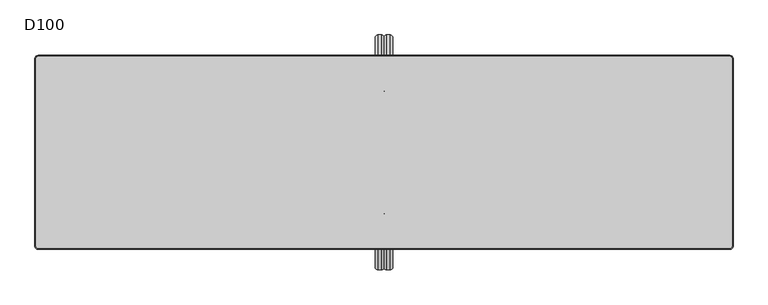
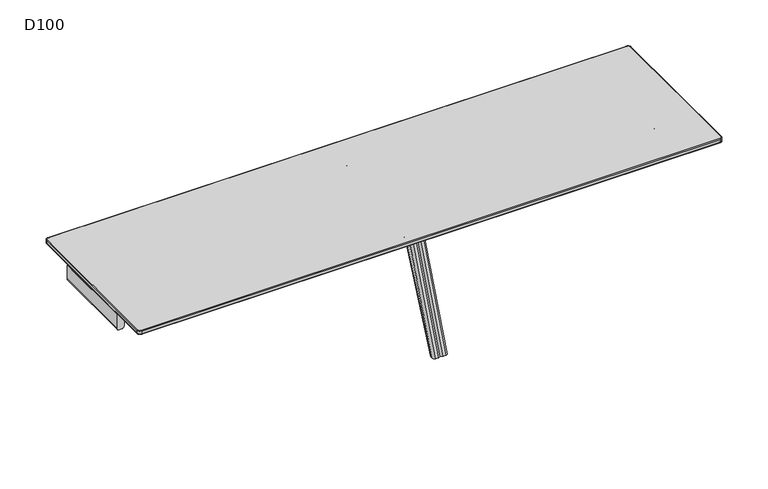
"""IFC4 building model written with IfcOpenShell, lengths in millimetres: furniture geometry, D100."""

from ifc_helpers import new_model, si_unit, point, frame, frame_2d, origin, place, context, project, spatial, polyline, circle_curve, ellipse_curve, trimmed, segment, composite_curve, outline, extrude, source, transform, mapped, element, save
from ifc_brep_helpers import plane_surface, cylinder_surface, revolved_surface, advanced_brep


def d100_7a41bbc9(model_context):
    return source(origin(), model_context, "Body", "SolidModel", [
        extrude(outline(composite_curve([segment(polyline([(611.0, 1799.0), (700.0, 1799.0), (700.0, 1754.0), (611.0, 1754.0)]), True, "CONTINUOUS"), segment(trimmed(circle_curve(frame_2d((611.0, 1769.0)), 15.0), [point((611.0, 1754.0))], [point((596.0, 1769.0))], False, "CARTESIAN"), True, "CONTINUOUS"), segment(polyline([(596.0, 1769.0), (596.0, 1784.0)]), True, "CONTINUOUS"), segment(trimmed(circle_curve(frame_2d((611.0, 1784.0)), 15.0), [point((596.0, 1784.0))], [point((611.0, 1799.0))], False, "CARTESIAN"), True, "CONTINUOUS")], self_intersect=False)), frame((0.0, -264.7236545, 0.0), z_axis=(0.0, 1.0, 0.0), x_axis=(0.0, 0.0, 1.0)), (0.0, 0.0, 1.0), 529.4473089),
        extrude(outline(composite_curve([segment(polyline([(611.0, 0.0), (700.0, 0.0), (700.0, -45.0), (611.0, -45.0)]), True, "CONTINUOUS"), segment(trimmed(circle_curve(frame_2d((611.0, -30.0)), 15.0), [point((611.0, -45.0))], [point((596.0, -30.0))], False, "CARTESIAN"), True, "CONTINUOUS"), segment(polyline([(596.0, -30.0), (596.0, -15.0)]), True, "CONTINUOUS"), segment(trimmed(circle_curve(frame_2d((611.0, -15.0)), 15.0), [point((596.0, -15.0))], [point((611.0, 0.0))], False, "CARTESIAN"), True, "CONTINUOUS")], self_intersect=False)), frame((0.0, -264.7236545, 0.0), z_axis=(0.0, 1.0, 0.0), x_axis=(0.0, 0.0, 1.0)), (0.0, 0.0, 1.0), 529.4473089),
        extrude(outline(composite_curve([segment(trimmed(circle_curve(frame_2d((611.0, 15.0)), 15.0), [point((611.0, 0.0))], [point((596.0, 15.0))], False, "CARTESIAN"), True, "CONTINUOUS"), segment(polyline([(596.0, 15.0), (596.0, 30.0)]), True, "CONTINUOUS"), segment(trimmed(circle_curve(frame_2d((611.0, 30.0)), 15.0), [point((596.0, 30.0))], [point((611.0, 45.0))], False, "CARTESIAN"), True, "CONTINUOUS"), segment(polyline([(611.0, 45.0), (700.0, 45.0), (700.0, 0.0), (611.0, 0.0)]), True, "CONTINUOUS")], self_intersect=False)), frame((0.0, -264.7236545, 0.0), z_axis=(0.0, 1.0, 0.0), x_axis=(0.0, 0.0, 1.0)), (0.0, 0.0, 1.0), 529.4473089),
        extrude(outline(composite_curve([segment(trimmed(circle_curve(frame_2d((611.0, -1784.0)), 15.0), [point((611.0, -1799.0))], [point((596.0, -1784.0))], False, "CARTESIAN"), True, "CONTINUOUS"), segment(polyline([(596.0, -1784.0), (596.0, -1769.0)]), True, "CONTINUOUS"), segment(trimmed(circle_curve(frame_2d((611.0, -1769.0)), 15.0), [point((596.0, -1769.0))], [point((611.0, -1754.0))], False, "CARTESIAN"), True, "CONTINUOUS"), segment(polyline([(611.0, -1754.0), (700.0, -1754.0), (700.0, -1799.0), (611.0, -1799.0)]), True, "CONTINUOUS")], self_intersect=False)), frame((0.0, -264.7236545, 0.0), z_axis=(0.0, 1.0, 0.0), x_axis=(0.0, 0.0, 1.0)), (0.0, 0.0, 1.0), 529.4473089),
        advanced_brep(
        [(-1782.0, 495.0, 732.0), (-1795.0, 482.0, 732.0), (-1795.0, -482.0, 732.0), (-1782.0, -495.0, 732.0), (1782.0, -495.0, 732.0), (1795.0, -482.0, 732.0), (1795.0, 482.0, 732.0), (1782.0, 495.0, 732.0), (-1795.0, 482.0, 706.0), (-1782.0, 495.0, 706.0), (1782.0, 495.0, 706.0), (1795.0, 482.0, 706.0), (1795.0, -482.0, 706.0), (1782.0, -495.0, 706.0), (-1782.0, -495.0, 706.0), (-1795.0, -482.0, 706.0), (-1800.0, 482.0, 727.0000049), (-1800.0, 482.0, 711.0), (-1800.0, -482.0, 711.0), (-1800.0, -482.0, 727.0), (-1782.0, -500.0, 711.0), (-1782.0, -500.0, 727.0000039), (1782.0, -500.0, 711.0), (1782.0, -500.0, 727.0), (1800.0, -482.0, 711.0), (1800.0, -482.0, 727.0000032), (1800.0, 482.0, 711.0), (1800.0, 482.0, 727.0), (-1782.0, 500.0, 711.0), (-1782.0, 500.0, 727.0), (1782.0, 500.0, 711.0), (1782.0, 500.0, 727.0)],
        [
            (0, 1, circle_curve(frame((-1782.0, 482.0, 732.0), z_axis=(0.0, 0.0, 1.0), x_axis=(0.0, 1.0, 0.0)), 13.0)),
            (1, 2),
            (2, 3, circle_curve(frame((-1782.0, -482.0, 732.0), z_axis=(0.0, 0.0, 1.0), x_axis=(-1.0, 0.0, 0.0)), 13.0)),
            (3, 4),
            (4, 5, circle_curve(frame((1782.0, -482.0, 732.0), z_axis=(0.0, 0.0, 1.0), x_axis=(0.0, -1.0, 0.0)), 13.0)),
            (5, 6),
            (6, 7, circle_curve(frame((1782.0, 482.0, 732.0), z_axis=(0.0, 0.0, 1.0), x_axis=(1.0, 0.0, 0.0)), 13.0)),
            (7, 0),
            (8, 9, circle_curve(frame((-1782.0, 482.0, 706.0), z_axis=(0.0, 0.0, -1.0), x_axis=(0.0, 1.0, 0.0)), 13.0)),
            (9, 10),
            (10, 11, circle_curve(frame((1782.0, 482.0, 706.0), z_axis=(0.0, 0.0, -1.0), x_axis=(1.0, 0.0, 0.0)), 13.0)),
            (11, 12),
            (12, 13, circle_curve(frame((1782.0, -482.0, 706.0), z_axis=(0.0, 0.0, -1.0), x_axis=(0.0, -1.0, 0.0)), 13.0)),
            (13, 14),
            (14, 15, circle_curve(frame((-1782.0, -482.0, 706.0), z_axis=(0.0, 0.0, -1.0), x_axis=(-1.0, 0.0, 0.0)), 13.0)),
            (15, 8),
            (16, 17),
            (17, 18),
            (18, 19),
            (19, 16),
            (18, 20, circle_curve(frame((-1782.0, -482.0, 711.0), z_axis=(0.0, 0.0, 1.0), x_axis=(1.0, 0.0, 0.0)), 18.0)),
            (20, 21),
            (21, 19, circle_curve(frame((-1782.0, -482.0, 727.0), z_axis=(0.0, 0.0, -1.0), x_axis=(1.0, 0.0, 0.0)), 18.0)),
            (20, 22),
            (22, 23),
            (23, 21),
            (22, 24, circle_curve(frame((1782.0, -482.0, 711.0), z_axis=(0.0, 0.0, 1.0), x_axis=(1.0, 0.0, 0.0)), 18.0)),
            (24, 25),
            (25, 23, circle_curve(frame((1782.0, -482.0, 727.0), z_axis=(0.0, 0.0, -1.0), x_axis=(1.0, 0.0, 0.0)), 18.0)),
            (24, 26),
            (26, 27),
            (27, 25),
            (8, 17, circle_curve(frame((-1795.0, 482.0, 711.0), z_axis=(0.0, 1.0, 0.0), x_axis=(1.0, 0.0, 0.0)), 5.0)),
            (17, 28, circle_curve(frame((-1782.0, 482.0, 711.0), z_axis=(0.0, 0.0, -1.0), x_axis=(0.0, 1.0, 0.0)), 18.0)),
            (28, 9, circle_curve(frame((-1782.0, 495.0, 711.0), z_axis=(-1.0, 0.0, 0.0), x_axis=(0.0, -1.0, 0.0)), 5.0)),
            (16, 1, circle_curve(frame((-1795.0, 482.0, 727.0), z_axis=(0.0, 1.0, 0.0), x_axis=(1.0, 0.0, 0.0)), 5.0)),
            (0, 29, circle_curve(frame((-1782.0, 495.0, 727.0), z_axis=(-1.0, 0.0, 0.0), x_axis=(0.0, -1.0, 0.0)), 5.0)),
            (29, 16, circle_curve(frame((-1782.0, 482.0, 727.0), z_axis=(0.0, 0.0, 1.0), x_axis=(0.0, 1.0, 0.0)), 18.0)),
            (15, 18, circle_curve(frame((-1795.0, -482.0, 711.0), z_axis=(0.0, 1.0, 0.0), x_axis=(1.0, 0.0, 0.0)), 5.0)),
            (19, 2, circle_curve(frame((-1795.0, -482.0, 727.0), z_axis=(0.0, 1.0, 0.0), x_axis=(1.0, 0.0, 0.0)), 5.0)),
            (14, 20, circle_curve(frame((-1782.0, -495.0, 711.0), z_axis=(-1.0, 0.0, 0.0), x_axis=(0.0, 1.0, 0.0)), 5.0)),
            (21, 3, circle_curve(frame((-1782.0, -495.0, 727.0), z_axis=(-1.0, 0.0, 0.0), x_axis=(0.0, 1.0, 0.0)), 5.0)),
            (13, 22, circle_curve(frame((1782.0, -495.0, 711.0), z_axis=(-1.0, 0.0, 0.0), x_axis=(0.0, 1.0, 0.0)), 5.0)),
            (23, 4, circle_curve(frame((1782.0, -495.0, 727.0), z_axis=(-1.0, 0.0, 0.0), x_axis=(0.0, 1.0, 0.0)), 5.0)),
            (12, 24, circle_curve(frame((1795.0, -482.0, 711.0), z_axis=(0.0, -1.0, 0.0), x_axis=(-1.0, 0.0, 0.0)), 5.0)),
            (25, 5, circle_curve(frame((1795.0, -482.0, 727.0), z_axis=(0.0, -1.0, 0.0), x_axis=(-1.0, 0.0, 0.0)), 5.0)),
            (11, 26, circle_curve(frame((1795.0, 482.0, 711.0), z_axis=(0.0, -1.0, 0.0), x_axis=(-1.0, 0.0, 0.0)), 5.0)),
            (27, 6, circle_curve(frame((1795.0, 482.0, 727.0), z_axis=(0.0, -1.0, 0.0), x_axis=(-1.0, 0.0, 0.0)), 5.0)),
            (10, 30, circle_curve(frame((1782.0, 495.0, 711.0), z_axis=(1.0, 0.0, 0.0), x_axis=(0.0, -1.0, 0.0)), 5.0)),
            (30, 26, circle_curve(frame((1782.0, 482.0, 711.0), z_axis=(0.0, 0.0, -1.0), x_axis=(1.0, 0.0, 0.0)), 18.0)),
            (27, 31, circle_curve(frame((1782.0, 482.0, 727.0), z_axis=(0.0, 0.0, 1.0), x_axis=(1.0, 0.0, 0.0)), 18.0)),
            (31, 7, circle_curve(frame((1782.0, 495.0, 727.0), z_axis=(1.0, 0.0, 0.0), x_axis=(0.0, -1.0, 0.0)), 5.0)),
            (28, 30),
            (31, 29),
            (30, 31),
            (28, 29),
        ],
        [
            plane_surface(frame((-1800.0, -482.0, 732.0), z_axis=(0.0, 0.0, 1.0), x_axis=(0.0, -1.0, 0.0))),
            plane_surface(frame((-1800.0, -482.0, 706.0), z_axis=(0.0, 0.0, -1.0), x_axis=(0.0, 1.0, 0.0))),
            plane_surface(frame((-1800.0, 482.0, 732.0), z_axis=(-1.0, 0.0, 0.0), x_axis=(0.0, 0.0, -1.0))),
            cylinder_surface(frame((-1782.0, -482.0, 706.0), z_axis=(0.0, 0.0, 1.0), x_axis=(1.0, 0.0, 0.0)), 18.0),
            plane_surface(frame((-1782.0, -500.0, 732.0), z_axis=(0.0, -1.0, 0.0), x_axis=(0.0, 0.0, -1.0))),
            cylinder_surface(frame((1782.0, -482.0, 706.0), z_axis=(0.0, 0.0, 1.0), x_axis=(1.0, 0.0, 0.0)), 18.0),
            plane_surface(frame((1800.0, -482.0, 732.0), z_axis=(1.0, 0.0, 0.0), x_axis=(0.0, 0.0, -1.0))),
            revolved_surface(trimmed(ellipse_curve(frame((-1782.0, 495.0, 711.0), z_axis=(1.0, 0.0, 0.0), x_axis=(0.0, -1.0, 0.0)), 5.0, 5.0), [point((-1782.0, 495.0, 706.0))], [point((-1782.0, 500.0, 711.0))], True, "CARTESIAN"), (-1782.0, 482.0, -180.0), (0.0, 0.0, 1.0)),
            revolved_surface(trimmed(ellipse_curve(frame((-1782.0, 495.0, 727.0), z_axis=(1.0, 0.0, 0.0), x_axis=(0.0, -1.0, 0.0)), 5.0, 5.0), [point((-1782.0, 500.0, 727.0))], [point((-1782.0, 495.0, 732.0))], True, "CARTESIAN"), (-1782.0, 482.0, -180.0), (0.0, 0.0, 1.0)),
            cylinder_surface(frame((-1795.0, 482.0, 711.0), z_axis=(0.0, -1.0, 0.0), x_axis=(1.0, 0.0, 0.0)), 5.0),
            cylinder_surface(frame((-1795.0, 482.0, 727.0), z_axis=(0.0, -1.0, 0.0), x_axis=(1.0, 0.0, 0.0)), 5.0),
            revolved_surface(trimmed(ellipse_curve(frame((-1795.0, -482.0, 711.0), z_axis=(0.0, 1.0, 0.0), x_axis=(1.0, 0.0, 0.0)), 5.0, 5.0), [point((-1795.0, -482.0, 706.0))], [point((-1800.0, -482.0, 711.0))], True, "CARTESIAN"), (-1782.0, -482.0, -180.0), (0.0, 0.0, 1.0)),
            revolved_surface(trimmed(ellipse_curve(frame((-1795.0, -482.0, 727.0), z_axis=(0.0, 1.0, 0.0), x_axis=(1.0, 0.0, 0.0)), 5.0, 5.0), [point((-1800.0, -482.0, 727.0))], [point((-1795.0, -482.0, 732.0))], True, "CARTESIAN"), (-1782.0, -482.0, -180.0), (0.0, 0.0, 1.0)),
            cylinder_surface(frame((-1782.0, -495.0, 711.0), z_axis=(1.0, 0.0, 0.0), x_axis=(0.0, 1.0, 0.0)), 5.0),
            cylinder_surface(frame((-1782.0, -495.0, 727.0), z_axis=(1.0, 0.0, 0.0), x_axis=(0.0, 1.0, 0.0)), 5.0),
            revolved_surface(trimmed(ellipse_curve(frame((1782.0, -495.0, 711.0), z_axis=(-1.0, 0.0, 0.0), x_axis=(0.0, 1.0, 0.0)), 5.0, 5.0), [point((1782.0, -495.0, 706.0))], [point((1782.0, -500.0, 711.0))], True, "CARTESIAN"), (1782.0, -482.0, -180.0), (0.0, 0.0, 1.0)),
            revolved_surface(trimmed(ellipse_curve(frame((1782.0, -495.0, 727.0), z_axis=(-1.0, 0.0, 0.0), x_axis=(0.0, 1.0, 0.0)), 5.0, 5.0), [point((1782.0, -500.0, 727.0))], [point((1782.0, -495.0, 732.0))], True, "CARTESIAN"), (1782.0, -482.0, -180.0), (0.0, 0.0, 1.0)),
            cylinder_surface(frame((1795.0, -482.0, 711.0), z_axis=(0.0, 1.0, 0.0), x_axis=(-1.0, 0.0, 0.0)), 5.0),
            cylinder_surface(frame((1795.0, -482.0, 727.0), z_axis=(0.0, 1.0, 0.0), x_axis=(-1.0, 0.0, 0.0)), 5.0),
            revolved_surface(trimmed(ellipse_curve(frame((1795.0, 482.0, 711.0), z_axis=(0.0, -1.0, 0.0), x_axis=(-1.0, 0.0, 0.0)), 5.0, 5.0), [point((1795.0, 482.0, 706.0))], [point((1800.0, 482.0, 711.0))], True, "CARTESIAN"), (1782.0, 482.0, -180.0), (0.0, 0.0, 1.0)),
            revolved_surface(trimmed(ellipse_curve(frame((1795.0, 482.0, 727.0), z_axis=(0.0, -1.0, 0.0), x_axis=(-1.0, 0.0, 0.0)), 5.0, 5.0), [point((1800.0, 482.0, 727.0))], [point((1795.0, 482.0, 732.0))], True, "CARTESIAN"), (1782.0, 482.0, -180.0), (0.0, 0.0, 1.0)),
            cylinder_surface(frame((1782.0, 495.0, 711.0), z_axis=(-1.0, 0.0, 0.0), x_axis=(0.0, -1.0, 0.0)), 5.0),
            cylinder_surface(frame((1782.0, 495.0, 727.0), z_axis=(-1.0, 0.0, 0.0), x_axis=(0.0, -1.0, 0.0)), 5.0),
            cylinder_surface(frame((1782.0, 482.0, 706.0), z_axis=(0.0, 0.0, 1.0), x_axis=(1.0, 0.0, 0.0)), 18.0),
            plane_surface(frame((1782.0, 500.0, 732.0), z_axis=(0.0, 1.0, 0.0), x_axis=(0.0, 0.0, -1.0))),
            cylinder_surface(frame((-1782.0, 482.0, 706.0), z_axis=(0.0, 0.0, 1.0), x_axis=(1.0, 0.0, 0.0)), 18.0),
        ],
        [
            (0, [[1, 2, 3, 4, 5, 6, 7, 8]]),
            (1, [[9, 10, 11, 12, 13, 14, 15, 16]]),
            (2, [[17, 18, 19, 20]]),
            (3, [[-19, 21, 22, 23]]),
            (4, [[-22, 24, 25, 26]]),
            (5, [[-25, 27, 28, 29]]),
            (6, [[-28, 30, 31, 32]]),
            (7, [[33, 34, 35, -9]]),
            (8, [[36, -1, 37, 38]]),
            (9, [[-33, -16, 39, -18]]),
            (10, [[-36, -20, 40, -2]]),
            (11, [[-39, -15, 41, -21]]),
            (12, [[-40, -23, 42, -3]]),
            (13, [[-41, -14, 43, -24]]),
            (14, [[-42, -26, 44, -4]]),
            (15, [[-43, -13, 45, -27]]),
            (16, [[-44, -29, 46, -5]]),
            (17, [[-45, -12, 47, -30]]),
            (18, [[-46, -32, 48, -6]]),
            (19, [[-47, -11, 49, 50]]),
            (20, [[-48, 51, 52, -7]]),
            (21, [[-35, 53, -49, -10]]),
            (22, [[-37, -8, -52, 54]]),
            (23, [[-31, -50, 55, -51]]),
            (24, [[-55, -53, 56, -54]]),
            (25, [[-17, -38, -56, -34]]),
        ],
    ),
        advanced_brep(
        [(0.0, 272.7758244, 611.0), (15.0, 272.7758244, 596.0), (15.0, 270.7236545, 596.0), (0.0, 270.7236545, 611.0), (30.0, 272.7758244, 596.0), (45.0, 272.7758244, 611.0), (45.0, 270.7236545, 611.0), (30.0, 270.7236545, 596.0), (15.0, 305.6533176, 574.6985653), (0.0, 319.3435487, 580.82862), (0.0, 579.4203292, 0.0), (15.0, 562.9852524, 0.0), (45.0, 319.3435487, 580.82862), (30.0, 305.6533176, 574.6985653), (30.0, 562.9852524, 0.0), (45.0, 579.4203292, 0.0), (45.0, 270.7236545, 700.0), (45.0, 589.8218305, 0.0), (45.0, 316.6217076, 700.0), (0.0, 270.7236545, 700.0), (0.0, 316.6217076, 700.0), (0.0, 589.8218305, 0.0), (30.0, 332.7236545, 700.0), (15.0, 332.7236545, 700.0), (30.0, 605.9237773, 0.0), (15.0, 605.9237773, 0.0)],
        [
            (0, 1, circle_curve(frame((15.0, 272.7758244, 611.0), z_axis=(0.0, -1.0, 0.0), x_axis=(0.0, 0.0, 1.0)), 15.0)),
            (1, 2),
            (2, 3, circle_curve(frame((15.0, 270.7236545, 611.0), z_axis=(0.0, 1.0, 0.0), x_axis=(0.0, 0.0, 1.0)), 15.0)),
            (3, 0),
            (4, 5, circle_curve(frame((30.0, 272.7758244, 611.0), z_axis=(0.0, -1.0, 0.0), x_axis=(0.0, 0.0, 1.0)), 15.0)),
            (5, 6),
            (6, 7, circle_curve(frame((30.0, 270.7236545, 611.0), z_axis=(0.0, 1.0, 0.0), x_axis=(0.0, 0.0, 1.0)), 15.0)),
            (7, 4),
            (8, 9, circle_curve(frame((15.0, 319.3435487, 580.82862), z_axis=(0.0, 0.4086703164969099, -0.9126820763082375), x_axis=(0.0, 0.9126820763082375, 0.4086703164969099)), 15.0)),
            (9, 10),
            (10, 11, ellipse_curve(frame((15.0, 579.4203292, 0.0), z_axis=(0.0, 0.0, 1.0), x_axis=(0.0, 1.0, 0.0)), 16.4350768, 15.0)),
            (11, 8),
            (12, 13, circle_curve(frame((30.0, 319.3435487, 580.82862), z_axis=(0.0, 0.4086703164969099, -0.9126820763082375), x_axis=(0.0, 0.9126820763082375, 0.4086703164969099)), 15.0)),
            (13, 14),
            (14, 15, ellipse_curve(frame((30.0, 579.4203292, 0.0), z_axis=(0.0, 0.0, 1.0), x_axis=(0.0, 1.0, 0.0)), 16.4350768, 15.0)),
            (15, 12),
            (0, 9, circle_curve(frame((0.0, 272.7758244, 559.9770583), z_axis=(-1.0, 0.0, 0.0), x_axis=(0.0, 0.0, 1.0)), 51.0229417)),
            (8, 1, circle_curve(frame((15.0, 272.7758244, 559.9770583), z_axis=(1.0, 0.0, 0.0), x_axis=(0.0, 0.0, 1.0)), 36.0229417)),
            (4, 13, circle_curve(frame((30.0, 272.7758244, 559.9770583), z_axis=(-1.0, 0.0, 0.0), x_axis=(0.0, 0.0, 1.0)), 36.0229417)),
            (12, 5, circle_curve(frame((45.0, 272.7758244, 559.9770583), z_axis=(1.0, 0.0, 0.0), x_axis=(0.0, 0.0, 1.0)), 51.0229417)),
            (16, 6),
            (15, 17),
            (17, 18),
            (18, 16),
            (3, 19),
            (19, 20),
            (20, 21),
            (21, 10),
            (19, 16),
            (18, 22, ellipse_curve(frame((30.0, 316.6217076, 700.0), z_axis=(0.0, 0.0, 1.0), x_axis=(0.0, -1.0, 0.0)), 16.1019468, 15.0)),
            (22, 23),
            (23, 20, ellipse_curve(frame((15.0, 316.6217076, 700.0), z_axis=(0.0, 0.0, 1.0), x_axis=(0.0, -1.0, 0.0)), 16.1019468, 15.0)),
            (22, 24),
            (24, 25),
            (25, 23),
            (14, 11),
            (21, 25, ellipse_curve(frame((15.0, 589.8218305, 0.0), z_axis=(0.0, 0.0, -1.0), x_axis=(0.0, -0.9999999999999999, 0.0)), 16.1019468, 15.0)),
            (24, 17, ellipse_curve(frame((30.0, 589.8218305, 0.0), z_axis=(0.0, 0.0, -1.0), x_axis=(0.0, -0.9999999999999999, 0.0)), 16.1019468, 15.0)),
            (13, 8),
            (4, 1),
            (7, 2),
        ],
        [
            cylinder_surface(frame((15.0, -272.7758244, 611.0), z_axis=(0.0, 1.0, 0.0), x_axis=(0.0, 0.0, 1.0)), 15.0),
            cylinder_surface(frame((30.0, -272.7758244, 611.0), z_axis=(0.0, 1.0, 0.0), x_axis=(0.0, 0.0, 1.0)), 15.0),
            cylinder_surface(frame((15.0, 319.3435487, 580.82862), z_axis=(0.0, 0.4086703164969099, -0.9126820763082375), x_axis=(0.0, 0.9126820763082375, 0.4086703164969099)), 15.0),
            cylinder_surface(frame((30.0, 319.3435487, 580.82862), z_axis=(0.0, 0.4086703164969099, -0.9126820763082375), x_axis=(0.0, 0.9126820763082375, 0.4086703164969099)), 15.0),
            revolved_surface(trimmed(ellipse_curve(frame((15.0, 272.7758244, 611.0), z_axis=(0.0, -1.0, 0.0), x_axis=(0.0, 0.0, 1.0)), 15.0, 15.0), [point((0.0, 272.7758244, 611.0))], [point((15.0, 272.7758244, 596.0))], True, "CARTESIAN"), (782.0, 272.7758244, 559.9770583), (-1.0, 0.0, 0.0)),
            revolved_surface(trimmed(ellipse_curve(frame((30.0, 272.7758244, 611.0), z_axis=(0.0, -1.0, 0.0), x_axis=(0.0, 0.0, 1.0)), 15.0, 15.0), [point((30.0, 272.7758244, 596.0))], [point((45.0, 272.7758244, 611.0))], True, "CARTESIAN"), (782.0, 272.7758244, 559.9770583), (-1.0, 0.0, 0.0)),
            plane_surface(frame((45.0, 270.7236545, 596.0), z_axis=(1.0, 0.0, 0.0), x_axis=(0.0, 0.0, -1.0))),
            plane_surface(frame((0.0, 270.7236545, 596.0), z_axis=(-1.0, 0.0, 0.0), x_axis=(0.0, 0.0, 1.0))),
            plane_surface(frame((45.0, 332.7236545, 700.0), z_axis=(0.0, 0.0, 1.0), x_axis=(-1.0, 0.0, 0.0))),
            plane_surface(frame((45.0, 605.9237773, 0.0), z_axis=(0.0, 0.9315643722265751, 0.3635764299265108), x_axis=(-1.0, 0.0, 0.0))),
            plane_surface(frame((45.0, 562.9852524, 0.0), z_axis=(0.0, 0.0, -1.0), x_axis=(-1.0, 0.0, 0.0))),
            plane_surface(frame((45.0, 305.6533176, 574.6985653), z_axis=(0.0, -0.9126820763082374, -0.40867031649691016), x_axis=(-1.0, 0.0, 0.0))),
            revolved_surface(polyline([(15.0, 236.7528827, 559.9770583), (30.0, 236.7528827, 559.9770583)]), (0.0, 272.7758244, 559.9770583), (-1.0, 0.0, 0.0)),
            plane_surface(frame((45.0, 270.7236545, 596.0), z_axis=(0.0, 0.0, -1.0), x_axis=(-1.0, 0.0, 0.0))),
            plane_surface(frame((45.0, 270.7236545, 700.0), z_axis=(0.0, -1.0, 0.0), x_axis=(-1.0, 0.0, 0.0))),
            cylinder_surface(frame((15.0, 599.6644228, -25.2189296), z_axis=(0.0, -0.3635764299265101, 0.9315643722265754), x_axis=(0.0, -0.9315643722265754, -0.3635764299265101)), 15.0),
            cylinder_surface(frame((30.0, 599.6644228, -25.2189296), z_axis=(0.0, -0.3635764299265101, 0.9315643722265754), x_axis=(0.0, -0.9315643722265754, -0.3635764299265101)), 15.0),
        ],
        [
            (0, [[1, 2, 3, 4]]),
            (1, [[5, 6, 7, 8]]),
            (2, [[9, 10, 11, 12]]),
            (3, [[13, 14, 15, 16]]),
            (4, [[-1, 17, -9, 18]]),
            (5, [[-5, 19, -13, 20]]),
            (6, [[21, -6, -20, -16, 22, 23, 24]]),
            (7, [[25, 26, 27, 28, -10, -17, -4]]),
            (8, [[29, -24, 30, 31, 32, -26]]),
            (9, [[-31, 33, 34, 35]]),
            (10, [[36, -11, -28, 37, -34, 38, -22, -15]]),
            (11, [[-36, -14, 39, -12]]),
            (12, [[-39, -19, 40, -18]]),
            (13, [[-40, -8, 41, -2]]),
            (14, [[-29, -25, -3, -41, -7, -21]]),
            (15, [[-27, -32, -35, -37]]),
            (16, [[-23, -38, -33, -30]]),
        ],
    ),
        advanced_brep(
        [(45.0, -270.7236545, 700.0), (45.0, -316.6217076, 700.0), (45.0, -589.8218305, 0.0), (45.0, -579.4203292, 0.0), (45.0, -319.3435487, 580.82862), (45.0, -272.7758244, 611.0), (45.0, -270.7236545, 611.0), (0.0, -316.6217076, 700.0), (0.0, -270.7236545, 700.0), (0.0, -270.7236545, 611.0), (0.0, -272.7758244, 611.0), (0.0, -319.3435487, 580.82862), (0.0, -579.4203292, 0.0), (0.0, -589.8218305, 0.0), (15.0, -332.7236545, 700.0), (30.0, -332.7236545, 700.0), (15.0, -605.9237773, 0.0), (30.0, -605.9237773, 0.0), (15.0, -562.9852524, 0.0), (30.0, -562.9852524, 0.0), (15.0, -305.6533176, 574.6985653), (30.0, -305.6533176, 574.6985653), (15.0, -272.7758244, 596.0), (30.0, -272.7758244, 596.0), (15.0, -270.7236545, 596.0), (30.0, -270.7236545, 596.0)],
        [
            (0, 1),
            (1, 2),
            (2, 3),
            (3, 4),
            (4, 5, circle_curve(frame((45.0, -272.7758244, 559.9770583), z_axis=(-1.0, 0.0, 0.0), x_axis=(0.0, -0.9126820763082378, 0.4086703164969091)), 51.0229417)),
            (5, 6),
            (6, 0),
            (7, 8),
            (8, 9),
            (9, 10),
            (10, 11, circle_curve(frame((0.0, -272.7758244, 559.9770583), z_axis=(1.0, 0.0, 0.0), x_axis=(0.0, -0.9126820763082378, 0.4086703164969091)), 51.0229417)),
            (11, 12),
            (12, 13),
            (13, 7),
            (0, 8),
            (7, 14, ellipse_curve(frame((15.0, -316.6217076, 700.0), z_axis=(0.0, 0.0, 1.0), x_axis=(0.0, 1.0, 0.0)), 16.1019468, 15.0)),
            (14, 15),
            (15, 1, ellipse_curve(frame((30.0, -316.6217076, 700.0), z_axis=(0.0, 0.0, 1.0), x_axis=(0.0, 1.0, 0.0)), 16.1019468, 15.0)),
            (14, 16),
            (16, 17),
            (17, 15),
            (16, 13, ellipse_curve(frame((15.0, -589.8218305, 0.0), z_axis=(0.0, 0.0, -1.0), x_axis=(0.0, 0.9999999999999999, 0.0)), 16.1019468, 15.0)),
            (12, 18, ellipse_curve(frame((15.0, -579.4203292, 0.0), z_axis=(0.0, 0.0, -1.0), x_axis=(0.0, 1.0, 0.0)), 16.4350768, 15.0)),
            (18, 19),
            (19, 3, ellipse_curve(frame((30.0, -579.4203292, 0.0), z_axis=(0.0, 0.0, -1.0), x_axis=(0.0, 1.0, 0.0)), 16.4350768, 15.0)),
            (2, 17, ellipse_curve(frame((30.0, -589.8218305, 0.0), z_axis=(0.0, 0.0, -1.0), x_axis=(0.0, 0.9999999999999999, 0.0)), 16.1019468, 15.0)),
            (18, 20),
            (20, 21),
            (21, 19),
            (20, 22, circle_curve(frame((15.0, -272.7758244, 559.9770583), z_axis=(-1.0, 0.0, 0.0), x_axis=(0.0, 1.0, 0.0)), 36.0229417)),
            (22, 23),
            (23, 21, circle_curve(frame((30.0, -272.7758244, 559.9770583), z_axis=(1.0, 0.0, 0.0), x_axis=(0.0, 1.0, 0.0)), 36.0229417)),
            (22, 24),
            (24, 25),
            (25, 23),
            (6, 25, circle_curve(frame((30.0, -270.7236545, 611.0), z_axis=(0.0, 1.0, 0.0), x_axis=(0.0, 0.0, 1.0)), 15.0)),
            (24, 9, circle_curve(frame((15.0, -270.7236545, 611.0), z_axis=(0.0, 1.0, 0.0), x_axis=(0.0, 0.0, 1.0)), 15.0)),
            (11, 20, circle_curve(frame((15.0, -319.3435487, 580.82862), z_axis=(0.0, -0.40867031649690977, -0.9126820763082376), x_axis=(0.0, -0.9126820763082376, 0.40867031649690977)), 15.0)),
            (21, 4, circle_curve(frame((30.0, -319.3435487, 580.82862), z_axis=(0.0, -0.40867031649690977, -0.9126820763082376), x_axis=(0.0, -0.9126820763082376, 0.40867031649690977)), 15.0)),
            (22, 10, circle_curve(frame((15.0, -272.7758244, 611.0), z_axis=(0.0, 1.0, 0.0), x_axis=(0.0, 0.0, 1.0)), 15.0)),
            (5, 23, circle_curve(frame((30.0, -272.7758244, 611.0), z_axis=(0.0, 1.0, 0.0), x_axis=(0.0, 0.0, 1.0)), 15.0)),
        ],
        [
            plane_surface(frame((45.0, -291.5455549, 700.0), z_axis=(1.0, 0.0, 0.0), x_axis=(0.0, -1.0, 0.0))),
            plane_surface(frame((0.0, -291.5455549, 700.0), z_axis=(-1.0, 0.0, 0.0), x_axis=(0.0, 1.0, 0.0))),
            plane_surface(frame((45.0, -270.7236545, 700.0), z_axis=(0.0, 0.0, 1.0), x_axis=(-1.0, 0.0, 0.0))),
            plane_surface(frame((45.0, -332.7236545, 700.0), z_axis=(0.0, -0.9315643722265751, 0.3635764299265108), x_axis=(-1.0, 0.0, 0.0))),
            plane_surface(frame((45.0, -605.9237773, 0.0), z_axis=(0.0, 0.0, -1.0), x_axis=(-1.0, 0.0, 0.0))),
            plane_surface(frame((45.0, -562.9852524, 0.0), z_axis=(0.0, 0.9126820763082374, -0.40867031649691016), x_axis=(-1.0, 0.0, 0.0))),
            revolved_surface(polyline([(15.0, -236.7528827, 559.9770583), (30.0, -236.7528827, 559.9770583)]), (0.0, -272.7758244, 559.9770583), (-1.0, 0.0, 0.0)),
            plane_surface(frame((45.0, -272.7758244, 596.0), z_axis=(0.0, 0.0, -1.0), x_axis=(-1.0, 0.0, 0.0))),
            plane_surface(frame((45.0, -270.7236545, 596.0), z_axis=(0.0, 1.0, 0.0), x_axis=(-1.0, 0.0, 0.0))),
            cylinder_surface(frame((15.0, -599.6644228, -25.2189296), z_axis=(0.0, 0.3635764299265101, 0.9315643722265754), x_axis=(0.0, -0.9315643722265754, 0.3635764299265101)), 15.0),
            cylinder_surface(frame((30.0, -599.6644228, -25.2189296), z_axis=(0.0, 0.3635764299265101, 0.9315643722265754), x_axis=(0.0, -0.9315643722265754, 0.3635764299265101)), 15.0),
            cylinder_surface(frame((15.0, -584.7803586, -11.9705362), z_axis=(0.0, 0.40867031649690977, 0.9126820763082376), x_axis=(0.0, -0.9126820763082376, 0.40867031649690977)), 15.0),
            cylinder_surface(frame((30.0, -584.7803586, -11.9705362), z_axis=(0.0, 0.40867031649690977, 0.9126820763082376), x_axis=(0.0, -0.9126820763082376, 0.40867031649690977)), 15.0),
            cylinder_surface(frame((15.0, -272.7758244, 611.0), z_axis=(0.0, 1.0, 0.0), x_axis=(0.0, 0.0, 1.0)), 15.0),
            cylinder_surface(frame((30.0, -272.7758244, 611.0), z_axis=(0.0, 1.0, 0.0), x_axis=(0.0, 0.0, 1.0)), 15.0),
            revolved_surface(trimmed(ellipse_curve(frame((15.0, -319.3435487, 580.82862), z_axis=(0.0, -0.4086703164969089, -0.9126820763082379), x_axis=(0.0, -0.9126820763082379, 0.4086703164969089)), 15.0, 15.0), [point((0.0, -319.3435487, 580.82862))], [point((15.0, -305.6533176, 574.6985653))], True, "CARTESIAN"), (782.0, -272.7758244, 559.9770583), (-1.0, 0.0, 0.0)),
            revolved_surface(trimmed(ellipse_curve(frame((30.0, -319.3435487, 580.82862), z_axis=(0.0, -0.4086703164969089, -0.9126820763082379), x_axis=(0.0, -0.9126820763082379, 0.4086703164969089)), 15.0, 15.0), [point((30.0, -305.6533176, 574.6985653))], [point((45.0, -319.3435487, 580.82862))], True, "CARTESIAN"), (782.0, -272.7758244, 559.9770583), (-1.0, 0.0, 0.0)),
        ],
        [
            (0, [[1, 2, 3, 4, 5, 6, 7]]),
            (1, [[8, 9, 10, 11, 12, 13, 14]]),
            (2, [[15, -8, 16, 17, 18, -1]]),
            (3, [[-17, 19, 20, 21]]),
            (4, [[-20, 22, -13, 23, 24, 25, -3, 26]]),
            (5, [[-24, 27, 28, 29]]),
            (6, [[-28, 30, 31, 32]]),
            (7, [[-31, 33, 34, 35]]),
            (8, [[-15, -7, 36, -34, 37, -9]]),
            (9, [[-14, -22, -19, -16]]),
            (10, [[-2, -18, -21, -26]]),
            (11, [[38, -27, -23, -12]]),
            (12, [[39, -4, -25, -29]]),
            (13, [[40, -10, -37, -33]]),
            (14, [[41, -35, -36, -6]]),
            (15, [[-38, -11, -40, -30]]),
            (16, [[-39, -32, -41, -5]]),
        ],
    ),
        advanced_brep(
        [(-15.0, 272.7758244, 596.0), (0.0, 272.7758244, 611.0), (0.0, 270.7236545, 611.0), (-15.0, 270.7236545, 596.0), (-45.0, 272.7758244, 611.0), (-30.0, 272.7758244, 596.0), (-30.0, 270.7236545, 596.0), (-45.0, 270.7236545, 611.0), (0.0, 319.3435487, 580.82862), (-15.0, 305.6533176, 574.6985653), (-15.0, 562.9852524, 0.0), (0.0, 579.4203292, 0.0), (-30.0, 305.6533176, 574.6985653), (-45.0, 319.3435487, 580.82862), (-45.0, 579.4203292, 0.0), (-30.0, 562.9852524, 0.0), (-45.0, 270.7236545, 700.0), (-45.0, 316.6217076, 700.0), (-45.0, 589.8218305, 0.0), (0.0, 270.7236545, 700.0), (0.0, 589.8218305, 0.0), (0.0, 316.6217076, 700.0), (-15.0, 332.7236545, 700.0), (-30.0, 332.7236545, 700.0), (-15.0, 605.9237773, 0.0), (-30.0, 605.9237773, 0.0)],
        [
            (0, 1, circle_curve(frame((-15.0, 272.7758244, 611.0), z_axis=(0.0, -1.0, 0.0), x_axis=(0.0, 0.0, -1.0)), 15.0)),
            (1, 2),
            (2, 3, circle_curve(frame((-15.0, 270.7236545, 611.0), z_axis=(0.0, 1.0, 0.0), x_axis=(0.0, 0.0, -1.0)), 15.0)),
            (3, 0),
            (4, 5, circle_curve(frame((-30.0, 272.7758244, 611.0), z_axis=(0.0, -1.0, 0.0), x_axis=(0.0, 0.0, -1.0)), 15.0)),
            (5, 6),
            (6, 7, circle_curve(frame((-30.0, 270.7236545, 611.0), z_axis=(0.0, 1.0, 0.0), x_axis=(0.0, 0.0, -1.0)), 15.0)),
            (7, 4),
            (8, 9, circle_curve(frame((-15.0, 319.3435487, 580.82862), z_axis=(0.0, 0.4086703164969099, -0.9126820763082375), x_axis=(0.0, -0.9126820763082375, -0.4086703164969099)), 15.0)),
            (9, 10),
            (10, 11, ellipse_curve(frame((-15.0, 579.4203292, 0.0), z_axis=(0.0, 0.0, 1.0), x_axis=(0.0, 1.0, 0.0)), 16.4350768, 15.0)),
            (11, 8),
            (12, 13, circle_curve(frame((-30.0, 319.3435487, 580.82862), z_axis=(0.0, 0.4086703164969099, -0.9126820763082375), x_axis=(0.0, -0.9126820763082375, -0.4086703164969099)), 15.0)),
            (13, 14),
            (14, 15, ellipse_curve(frame((-30.0, 579.4203292, 0.0), z_axis=(0.0, 0.0, 1.0), x_axis=(0.0, 1.0, 0.0)), 16.4350768, 15.0)),
            (15, 12),
            (0, 9, circle_curve(frame((-15.0, 272.7758244, 559.9770583), z_axis=(-1.0, 0.0, 0.0), x_axis=(0.0, 0.0, 1.0)), 36.0229417)),
            (8, 1, circle_curve(frame((0.0, 272.7758244, 559.9770583), z_axis=(1.0, 0.0, 0.0), x_axis=(0.0, 0.0, 1.0)), 51.0229417)),
            (4, 13, circle_curve(frame((-45.0, 272.7758244, 559.9770583), z_axis=(-1.0, 0.0, 0.0), x_axis=(0.0, 0.0, 1.0)), 51.0229417)),
            (12, 5, circle_curve(frame((-30.0, 272.7758244, 559.9770583), z_axis=(1.0, 0.0, 0.0), x_axis=(0.0, 0.0, 1.0)), 36.0229417)),
            (7, 16),
            (16, 17),
            (17, 18),
            (18, 14),
            (19, 2),
            (11, 20),
            (20, 21),
            (21, 19),
            (16, 19),
            (21, 22, ellipse_curve(frame((-15.0, 316.6217076, 700.0), z_axis=(0.0, 0.0, 1.0), x_axis=(0.0, -1.0, 0.0)), 16.1019468, 15.0)),
            (22, 23),
            (23, 17, ellipse_curve(frame((-30.0, 316.6217076, 700.0), z_axis=(0.0, 0.0, 1.0), x_axis=(0.0, -1.0, 0.0)), 16.1019468, 15.0)),
            (22, 24),
            (24, 25),
            (25, 23),
            (10, 15),
            (18, 25, ellipse_curve(frame((-30.0, 589.8218305, 0.0), z_axis=(0.0, 0.0, -1.0), x_axis=(0.0, -0.9999999999999999, 0.0)), 16.1019468, 15.0)),
            (24, 20, ellipse_curve(frame((-15.0, 589.8218305, 0.0), z_axis=(0.0, 0.0, -1.0), x_axis=(0.0, -0.9999999999999999, 0.0)), 16.1019468, 15.0)),
            (9, 12),
            (0, 5),
            (3, 6),
        ],
        [
            cylinder_surface(frame((-15.0, -272.7758244, 611.0), z_axis=(0.0, 1.0, 0.0), x_axis=(0.0, 0.0, -1.0)), 15.0),
            cylinder_surface(frame((-30.0, -272.7758244, 611.0), z_axis=(0.0, 1.0, 0.0), x_axis=(0.0, 0.0, -1.0)), 15.0),
            cylinder_surface(frame((-15.0, 319.3435487, 580.82862), z_axis=(0.0, 0.4086703164969099, -0.9126820763082375), x_axis=(0.0, -0.9126820763082375, -0.4086703164969099)), 15.0),
            cylinder_surface(frame((-30.0, 319.3435487, 580.82862), z_axis=(0.0, 0.4086703164969099, -0.9126820763082375), x_axis=(0.0, -0.9126820763082375, -0.4086703164969099)), 15.0),
            revolved_surface(trimmed(ellipse_curve(frame((-15.0, 272.7758244, 611.0), z_axis=(0.0, -1.0, 0.0), x_axis=(0.0, 0.0, -1.0)), 15.0, 15.0), [point((-15.0, 272.7758244, 596.0))], [point((0.0, 272.7758244, 611.0))], True, "CARTESIAN"), (-782.0, 272.7758244, 559.9770583), (-1.0, 0.0, 0.0)),
            revolved_surface(trimmed(ellipse_curve(frame((-30.0, 272.7758244, 611.0), z_axis=(0.0, -1.0, 0.0), x_axis=(0.0, 0.0, -1.0)), 15.0, 15.0), [point((-45.0, 272.7758244, 611.0))], [point((-30.0, 272.7758244, 596.0))], True, "CARTESIAN"), (-782.0, 272.7758244, 559.9770583), (-1.0, 0.0, 0.0)),
            plane_surface(frame((-45.0, 291.5455549, 700.0), z_axis=(-1.0, 0.0, 0.0), x_axis=(0.0, 1.0, 0.0))),
            plane_surface(frame((0.0, 291.5455549, 700.0), z_axis=(1.0, 0.0, 0.0), x_axis=(0.0, -1.0, 0.0))),
            plane_surface(frame((-45.0, 270.7236545, 700.0), z_axis=(0.0, 0.0, 1.0), x_axis=(1.0, 0.0, 0.0))),
            plane_surface(frame((-45.0, 332.7236545, 700.0), z_axis=(0.0, 0.9315643722265751, 0.3635764299265108), x_axis=(1.0, 0.0, 0.0))),
            plane_surface(frame((-45.0, 605.9237773, 0.0), z_axis=(0.0, 0.0, -1.0), x_axis=(1.0, 0.0, 0.0))),
            plane_surface(frame((-45.0, 562.9852524, 0.0), z_axis=(0.0, -0.9126820763082374, -0.40867031649691016), x_axis=(1.0, 0.0, 0.0))),
            revolved_surface(polyline([(-15.0, 236.7528827, 559.9770583), (-30.0, 236.7528827, 559.9770583)]), (0.0, 272.7758244, 559.9770583), (1.0, 0.0, 0.0)),
            plane_surface(frame((-45.0, 272.7758244, 596.0), z_axis=(0.0, 0.0, -1.0), x_axis=(1.0, 0.0, 0.0))),
            plane_surface(frame((-45.0, 270.7236545, 596.0), z_axis=(0.0, -1.0, 0.0), x_axis=(1.0, 0.0, 0.0))),
            cylinder_surface(frame((-15.0, 599.6644228, -25.2189296), z_axis=(0.0, -0.3635764299265101, 0.9315643722265754), x_axis=(0.0, 0.9315643722265754, 0.3635764299265101)), 15.0),
            cylinder_surface(frame((-30.0, 599.6644228, -25.2189296), z_axis=(0.0, -0.3635764299265101, 0.9315643722265754), x_axis=(0.0, 0.9315643722265754, 0.3635764299265101)), 15.0),
        ],
        [
            (0, [[1, 2, 3, 4]]),
            (1, [[5, 6, 7, 8]]),
            (2, [[9, 10, 11, 12]]),
            (3, [[13, 14, 15, 16]]),
            (4, [[-1, 17, -9, 18]]),
            (5, [[-5, 19, -13, 20]]),
            (6, [[21, 22, 23, 24, -14, -19, -8]]),
            (7, [[25, -2, -18, -12, 26, 27, 28]]),
            (8, [[29, -28, 30, 31, 32, -22]]),
            (9, [[-31, 33, 34, 35]]),
            (10, [[36, -15, -24, 37, -34, 38, -26, -11]]),
            (11, [[-36, -10, 39, -16]]),
            (12, [[-39, -17, 40, -20]]),
            (13, [[-40, -4, 41, -6]]),
            (14, [[-29, -21, -7, -41, -3, -25]]),
            (15, [[-27, -38, -33, -30]]),
            (16, [[-23, -32, -35, -37]]),
        ],
    ),
        advanced_brep(
        [(-45.0, -270.7236545, 700.0), (-45.0, -270.7236545, 611.0), (-45.0, -272.7758244, 611.0), (-45.0, -319.3435487, 580.82862), (-45.0, -579.4203292, 0.0), (-45.0, -589.8218305, 0.0), (-45.0, -316.6217076, 700.0), (0.0, -270.7236545, 611.0), (0.0, -270.7236545, 700.0), (0.0, -316.6217076, 700.0), (0.0, -589.8218305, 0.0), (0.0, -579.4203292, 0.0), (0.0, -319.3435487, 580.82862), (0.0, -272.7758244, 611.0), (-30.0, -332.7236545, 700.0), (-15.0, -332.7236545, 700.0), (-30.0, -605.9237773, 0.0), (-15.0, -605.9237773, 0.0), (-30.0, -562.9852524, 0.0), (-15.0, -562.9852524, 0.0), (-30.0, -305.6533176, 574.6985653), (-15.0, -305.6533176, 574.6985653), (-30.0, -272.7758244, 596.0), (-15.0, -272.7758244, 596.0), (-30.0, -270.7236545, 596.0), (-15.0, -270.7236545, 596.0)],
        [
            (0, 1),
            (1, 2),
            (2, 3, circle_curve(frame((-45.0, -272.7758244, 559.9770583), z_axis=(1.0, 0.0, 0.0), x_axis=(0.0, -0.9126820763082378, 0.4086703164969091)), 51.0229417)),
            (3, 4),
            (4, 5),
            (5, 6),
            (6, 0),
            (7, 8),
            (8, 9),
            (9, 10),
            (10, 11),
            (11, 12),
            (12, 13, circle_curve(frame((0.0, -272.7758244, 559.9770583), z_axis=(-1.0, 0.0, 0.0), x_axis=(0.0, -0.9126820763082378, 0.4086703164969091)), 51.0229417)),
            (13, 7),
            (8, 0),
            (6, 14, ellipse_curve(frame((-30.0, -316.6217076, 700.0), z_axis=(0.0, 0.0, 1.0), x_axis=(0.0, 1.0, 0.0)), 16.1019468, 15.0)),
            (14, 15),
            (15, 9, ellipse_curve(frame((-15.0, -316.6217076, 700.0), z_axis=(0.0, 0.0, 1.0), x_axis=(0.0, 1.0, 0.0)), 16.1019468, 15.0)),
            (14, 16),
            (16, 17),
            (17, 15),
            (18, 19),
            (19, 11, ellipse_curve(frame((-15.0, -579.4203292, 0.0), z_axis=(0.0, 0.0, -1.0), x_axis=(0.0, 1.0, 0.0)), 16.4350768, 15.0)),
            (10, 17, ellipse_curve(frame((-15.0, -589.8218305, 0.0), z_axis=(0.0, 0.0, -1.0), x_axis=(0.0, 0.9999999999999999, 0.0)), 16.1019468, 15.0)),
            (16, 5, ellipse_curve(frame((-30.0, -589.8218305, 0.0), z_axis=(0.0, 0.0, -1.0), x_axis=(0.0, 0.9999999999999999, 0.0)), 16.1019468, 15.0)),
            (4, 18, ellipse_curve(frame((-30.0, -579.4203292, 0.0), z_axis=(0.0, 0.0, -1.0), x_axis=(0.0, 1.0, 0.0)), 16.4350768, 15.0)),
            (18, 20),
            (20, 21),
            (21, 19),
            (20, 22, circle_curve(frame((-30.0, -272.7758244, 559.9770583), z_axis=(-1.0, 0.0, 0.0), x_axis=(0.0, 1.0, 0.0)), 36.0229417)),
            (22, 23),
            (23, 21, circle_curve(frame((-15.0, -272.7758244, 559.9770583), z_axis=(1.0, 0.0, 0.0), x_axis=(0.0, 1.0, 0.0)), 36.0229417)),
            (22, 24),
            (24, 25),
            (25, 23),
            (7, 25, circle_curve(frame((-15.0, -270.7236545, 611.0), z_axis=(0.0, 1.0, 0.0), x_axis=(0.0, 0.0, -1.0)), 15.0)),
            (24, 1, circle_curve(frame((-30.0, -270.7236545, 611.0), z_axis=(0.0, 1.0, 0.0), x_axis=(0.0, 0.0, -1.0)), 15.0)),
            (21, 12, circle_curve(frame((-15.0, -319.3435487, 580.82862), z_axis=(0.0, -0.40867031649690977, -0.9126820763082376), x_axis=(0.0, 0.9126820763082376, -0.40867031649690977)), 15.0)),
            (3, 20, circle_curve(frame((-30.0, -319.3435487, 580.82862), z_axis=(0.0, -0.40867031649690977, -0.9126820763082376), x_axis=(0.0, 0.9126820763082376, -0.40867031649690977)), 15.0)),
            (13, 23, circle_curve(frame((-15.0, -272.7758244, 611.0), z_axis=(0.0, 1.0, 0.0), x_axis=(0.0, 0.0, -1.0)), 15.0)),
            (22, 2, circle_curve(frame((-30.0, -272.7758244, 611.0), z_axis=(0.0, 1.0, 0.0), x_axis=(0.0, 0.0, -1.0)), 15.0)),
        ],
        [
            plane_surface(frame((-45.0, -270.7236545, 596.0), z_axis=(-1.0, 0.0, 0.0), x_axis=(0.0, 0.0, -1.0))),
            plane_surface(frame((0.0, -270.7236545, 596.0), z_axis=(1.0, 0.0, 0.0), x_axis=(0.0, 0.0, 1.0))),
            plane_surface(frame((-45.0, -332.7236545, 700.0), z_axis=(0.0, 0.0, 1.0), x_axis=(1.0, 0.0, 0.0))),
            plane_surface(frame((-45.0, -605.9237773, 0.0), z_axis=(0.0, -0.9315643722265751, 0.3635764299265108), x_axis=(1.0, 0.0, 0.0))),
            plane_surface(frame((-45.0, -562.9852524, 0.0), z_axis=(0.0, 0.0, -1.0), x_axis=(1.0, 0.0, 0.0))),
            plane_surface(frame((-45.0, -305.6533176, 574.6985653), z_axis=(0.0, 0.9126820763082374, -0.40867031649691016), x_axis=(1.0, 0.0, 0.0))),
            revolved_surface(polyline([(-15.0, -236.7528827, 559.9770583), (-30.0, -236.7528827, 559.9770583)]), (0.0, -272.7758244, 559.9770583), (1.0, 0.0, 0.0)),
            plane_surface(frame((-45.0, -270.7236545, 596.0), z_axis=(0.0, 0.0, -1.0), x_axis=(1.0, 0.0, 0.0))),
            plane_surface(frame((-45.0, -270.7236545, 700.0), z_axis=(0.0, 1.0, 0.0), x_axis=(1.0, 0.0, 0.0))),
            cylinder_surface(frame((-15.0, -584.7803586, -11.9705362), z_axis=(0.0, 0.40867031649690977, 0.9126820763082376), x_axis=(0.0, 0.9126820763082376, -0.40867031649690977)), 15.0),
            cylinder_surface(frame((-30.0, -584.7803586, -11.9705362), z_axis=(0.0, 0.40867031649690977, 0.9126820763082376), x_axis=(0.0, 0.9126820763082376, -0.40867031649690977)), 15.0),
            cylinder_surface(frame((-15.0, -272.7758244, 611.0), z_axis=(0.0, 1.0, 0.0), x_axis=(0.0, 0.0, -1.0)), 15.0),
            cylinder_surface(frame((-30.0, -272.7758244, 611.0), z_axis=(0.0, 1.0, 0.0), x_axis=(0.0, 0.0, -1.0)), 15.0),
            revolved_surface(trimmed(ellipse_curve(frame((-15.0, -319.3435487, 580.82862), z_axis=(0.0, -0.4086703164969089, -0.9126820763082379), x_axis=(0.0, 0.9126820763082379, -0.4086703164969089)), 15.0, 15.0), [point((-15.0, -305.6533176, 574.6985653))], [point((0.0, -319.3435487, 580.82862))], True, "CARTESIAN"), (-782.0, -272.7758244, 559.9770583), (-1.0, 0.0, 0.0)),
            revolved_surface(trimmed(ellipse_curve(frame((-30.0, -319.3435487, 580.82862), z_axis=(0.0, -0.4086703164969089, -0.9126820763082379), x_axis=(0.0, 0.9126820763082379, -0.4086703164969089)), 15.0, 15.0), [point((-45.0, -319.3435487, 580.82862))], [point((-30.0, -305.6533176, 574.6985653))], True, "CARTESIAN"), (-782.0, -272.7758244, 559.9770583), (-1.0, 0.0, 0.0)),
            cylinder_surface(frame((-15.0, -599.6644228, -25.2189296), z_axis=(0.0, 0.3635764299265101, 0.9315643722265754), x_axis=(0.0, 0.9315643722265754, -0.3635764299265101)), 15.0),
            cylinder_surface(frame((-30.0, -599.6644228, -25.2189296), z_axis=(0.0, 0.3635764299265101, 0.9315643722265754), x_axis=(0.0, 0.9315643722265754, -0.3635764299265101)), 15.0),
        ],
        [
            (0, [[1, 2, 3, 4, 5, 6, 7]]),
            (1, [[8, 9, 10, 11, 12, 13, 14]]),
            (2, [[15, -7, 16, 17, 18, -9]]),
            (3, [[-17, 19, 20, 21]]),
            (4, [[22, 23, -11, 24, -20, 25, -5, 26]]),
            (5, [[-22, 27, 28, 29]]),
            (6, [[-28, 30, 31, 32]]),
            (7, [[-31, 33, 34, 35]]),
            (8, [[-15, -8, 36, -34, 37, -1]]),
            (9, [[38, -12, -23, -29]]),
            (10, [[39, -27, -26, -4]]),
            (11, [[40, -35, -36, -14]]),
            (12, [[41, -2, -37, -33]]),
            (13, [[-38, -32, -40, -13]]),
            (14, [[-39, -3, -41, -30]]),
            (15, [[-10, -18, -21, -24]]),
            (16, [[-6, -25, -19, -16]]),
        ],
    ),
        advanced_brep(
        [(1729.2740174, -270.7236545, 641.5327762), (1754.0036896, -270.7236545, 611.3326759), (1769.0, -270.7236545, 596.0), (1784.0, -270.7236545, 596.0), (1799.0, -270.7236545, 611.0), (1799.0, -270.7236545, 700.0), (1539.0, -270.7236545, 700.0), (1539.0, -270.7236545, 692.1898324), (1555.4913675, -270.7236545, 672.5), (1729.2740174, -264.7236545, 641.5327762), (1555.4913675, -264.7236545, 672.5), (1539.0, -264.7236545, 692.1898324), (1539.0, -264.7236545, 700.0), (1799.0, -264.7236545, 700.0), (1799.0, -264.7236545, 611.0), (1784.0, -264.7236545, 596.0), (1769.0, -264.7236545, 596.0), (1754.0036896, -264.7236545, 611.3326759), (1799.0, -218.7236545, 700.0), (1799.0, -218.7236545, 706.0), (1799.0, -316.7236545, 706.0), (1799.0, -316.7236545, 700.0), (1783.0, -202.7236545, 706.0), (1555.0, -202.7236545, 706.0), (1539.0, -218.7236545, 706.0), (1539.0, -316.7236545, 706.0), (1555.0, -332.7236545, 706.0), (1783.0, -332.7236545, 706.0), (1539.0, -218.7236545, 700.0), (1539.0, -316.7236545, 700.0), (1783.0, -202.7236545, 700.0), (1555.0, -202.7236545, 700.0), (1783.0, -332.7236545, 700.0), (1555.0, -332.7236545, 700.0)],
        [
            (0, 1, circle_curve(frame((1724.0110687, -270.7236545, 611.9980276), z_axis=(0.0, 1.0, 0.0), x_axis=(1.0, 0.0, 0.0)), 30.0)),
            (1, 2, circle_curve(frame((1769.0, -270.7236545, 611.0), z_axis=(0.0, -1.0, 0.0), x_axis=(1.0, 0.0, 0.0)), 15.0)),
            (2, 3),
            (3, 4, circle_curve(frame((1784.0, -270.7236545, 611.0), z_axis=(0.0, -1.0, 0.0), x_axis=(1.0, 0.0, 0.0)), 15.0)),
            (4, 5),
            (5, 6),
            (6, 7),
            (7, 8, circle_curve(frame((1559.0, -270.7236545, 692.1898324), z_axis=(0.0, -1.0, 0.0), x_axis=(1.0, 0.0, 0.0)), 20.0)),
            (8, 0),
            (9, 10),
            (10, 11, circle_curve(frame((1559.0, -264.7236545, 692.1898324), z_axis=(0.0, 1.0, 0.0), x_axis=(1.0, 0.0, 0.0)), 20.0)),
            (11, 12),
            (12, 13),
            (13, 14),
            (14, 15, circle_curve(frame((1784.0, -264.7236545, 611.0), z_axis=(0.0, 1.0, 0.0), x_axis=(1.0, 0.0, 0.0)), 15.0)),
            (15, 16),
            (16, 17, circle_curve(frame((1769.0, -264.7236545, 611.0), z_axis=(0.0, 1.0, 0.0), x_axis=(1.0, 0.0, 0.0)), 15.0)),
            (17, 9, circle_curve(frame((1724.0110687, -264.7236545, 611.9980276), z_axis=(0.0, -1.0, 0.0), x_axis=(1.0, 0.0, 0.0)), 30.0)),
            (0, 9),
            (17, 1),
            (4, 14),
            (13, 18),
            (18, 19),
            (19, 20),
            (20, 21),
            (21, 5),
            (19, 22, circle_curve(frame((1783.0, -218.7236545, 706.0), z_axis=(0.0, 0.0, 1.0), x_axis=(-1.0, 0.0, 0.0)), 16.0)),
            (22, 23),
            (23, 24, circle_curve(frame((1555.0, -218.7236545, 706.0), z_axis=(0.0, 0.0, 1.0), x_axis=(-1.0, 0.0, 0.0)), 16.0)),
            (24, 25),
            (25, 26, circle_curve(frame((1555.0, -316.7236545, 706.0), z_axis=(0.0, 0.0, 1.0), x_axis=(-1.0, 0.0, 0.0)), 16.0)),
            (26, 27),
            (27, 20, circle_curve(frame((1783.0, -316.7236545, 706.0), z_axis=(0.0, 0.0, 1.0), x_axis=(-1.0, 0.0, 0.0)), 16.0)),
            (24, 28),
            (28, 12),
            (11, 7),
            (6, 29),
            (29, 25),
            (10, 8),
            (16, 2),
            (15, 3),
            (30, 18, circle_curve(frame((1783.0, -218.7236545, 700.0), z_axis=(0.0, 0.0, -1.0), x_axis=(-1.0, 0.0, 0.0)), 16.0)),
            (28, 31, circle_curve(frame((1555.0, -218.7236545, 700.0), z_axis=(0.0, 0.0, -1.0), x_axis=(-1.0, 0.0, 0.0)), 16.0)),
            (31, 30),
            (21, 32, circle_curve(frame((1783.0, -316.7236545, 700.0), z_axis=(0.0, 0.0, -1.0), x_axis=(-1.0, 0.0, 0.0)), 16.0)),
            (32, 33),
            (33, 29, circle_curve(frame((1555.0, -316.7236545, 700.0), z_axis=(0.0, 0.0, -1.0), x_axis=(-1.0, 0.0, 0.0)), 16.0)),
            (30, 22),
            (27, 32),
            (26, 33),
            (23, 31),
        ],
        [
            plane_surface(frame((1754.0110687, -270.7236545, 611.9980276), z_axis=(0.0, -1.0, 0.0), x_axis=(0.0, 0.0, -1.0))),
            plane_surface(frame((1754.0110687, -264.7236545, 611.9980276), z_axis=(0.0, 1.0, 0.0), x_axis=(0.0, 0.0, 1.0))),
            revolved_surface(polyline([(1754.0110687, -264.7236545, 611.9980276), (1754.0110687, -270.7236545, 611.9980276)]), (1724.0110687, -264.7236545, 611.9980276), (0.0, 1.0, 0.0)),
            plane_surface(frame((1799.0, -270.7236545, 611.0), z_axis=(1.0, 0.0, 0.0), x_axis=(0.0, 1.0, 0.0))),
            plane_surface(frame((1799.0, -270.7236545, 706.0), z_axis=(0.0, 0.0, 1.0), x_axis=(0.0, 1.0, 0.0))),
            plane_surface(frame((1539.0, -270.7236545, 706.0), z_axis=(-1.0, 0.0, 0.0), x_axis=(0.0, 1.0, 0.0))),
            cylinder_surface(frame((1559.0, -264.7236545, 692.1898324), z_axis=(0.0, -1.0, 0.0), x_axis=(1.0, 0.0, 0.0)), 20.0),
            plane_surface(frame((1555.4913675, -270.7236545, 672.5), z_axis=(-0.17543162299465065, 0.0, -0.9844916178685641), x_axis=(0.0, 1.0, 0.0))),
            cylinder_surface(frame((1769.0, -264.7236545, 611.0), z_axis=(0.0, -1.0, 0.0), x_axis=(1.0, 0.0, 0.0)), 15.0),
            plane_surface(frame((1769.0, -270.7236545, 596.0), z_axis=(0.0, 0.0, -1.0), x_axis=(0.0, 1.0, 0.0))),
            cylinder_surface(frame((1784.0, -264.7236545, 611.0), z_axis=(0.0, -1.0, 0.0), x_axis=(1.0, 0.0, 0.0)), 15.0),
            plane_surface(frame((1555.0, -202.7236545, 700.0), z_axis=(0.0, 0.0, -1.0), x_axis=(1.0, 0.0, 0.0))),
            cylinder_surface(frame((1783.0, -218.7236545, 700.0), z_axis=(0.0, 0.0, 1.0), x_axis=(-1.0, 0.0, 0.0)), 16.0),
            cylinder_surface(frame((1783.0, -316.7236545, 700.0), z_axis=(0.0, 0.0, 1.0), x_axis=(-1.0, 0.0, 0.0)), 16.0),
            plane_surface(frame((1555.0, -332.7236545, 706.0), z_axis=(0.0, -1.0, 0.0), x_axis=(0.0, 0.0, -1.0))),
            cylinder_surface(frame((1555.0, -316.7236545, 700.0), z_axis=(0.0, 0.0, 1.0), x_axis=(-1.0, 0.0, 0.0)), 16.0),
            cylinder_surface(frame((1555.0, -218.7236545, 700.0), z_axis=(0.0, 0.0, 1.0), x_axis=(-1.0, 0.0, 0.0)), 16.0),
            plane_surface(frame((1783.0, -202.7236545, 706.0), z_axis=(0.0, 1.0, 0.0), x_axis=(0.0, 0.0, -1.0))),
        ],
        [
            (0, [[1, 2, 3, 4, 5, 6, 7, 8, 9]]),
            (1, [[10, 11, 12, 13, 14, 15, 16, 17, 18]]),
            (2, [[-1, 19, -18, 20]]),
            (3, [[21, -14, 22, 23, 24, 25, 26, -5]]),
            (4, [[-24, 27, 28, 29, 30, 31, 32, 33]]),
            (5, [[-30, 34, 35, -12, 36, -7, 37, 38]]),
            (6, [[-8, -36, -11, 39]]),
            (7, [[-9, -39, -10, -19]]),
            (8, [[-2, -20, -17, 40]]),
            (9, [[-3, -40, -16, 41]]),
            (10, [[-4, -41, -15, -21]]),
            (11, [[42, -22, -13, -35, 43, 44]]),
            (11, [[45, 46, 47, -37, -6, -26]]),
            (12, [[-27, -23, -42, 48]]),
            (13, [[-33, 49, -45, -25]]),
            (14, [[-32, 50, -46, -49]]),
            (15, [[-31, -38, -47, -50]]),
            (16, [[-29, 51, -43, -34]]),
            (17, [[-28, -48, -44, -51]]),
        ],
    ),
    ])


if __name__ == "__main__":
    model = new_model("IFC4")
    model_context = context("Model", 3, world=origin())
    ifc_project = project(units=[si_unit("LENGTHUNIT", "METRE", prefix="MILLI")], contexts=[model_context])
    site = spatial("IfcSite", under=ifc_project)
    building = spatial("IfcBuilding", under=site)
    placement = place(None, origin())
    d100_shape = d100_7a41bbc9(model_context)
    element("IfcFurniture", 1, ObjectType="D100", at=placement, inside=building, context=model_context, shape_type="MappedRepresentation", body=[
        mapped(d100_shape, transform((0.0, 0.0, 0.0), x_axis=(1.0, 0.0, 0.0), y_axis=(0.0, 1.0, 0.0), z_axis=(0.0, 0.0, 1.0))),
    ])
    save(model, "model.ifc")
